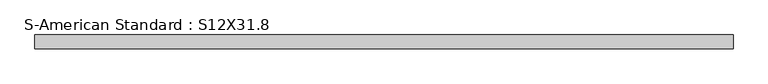
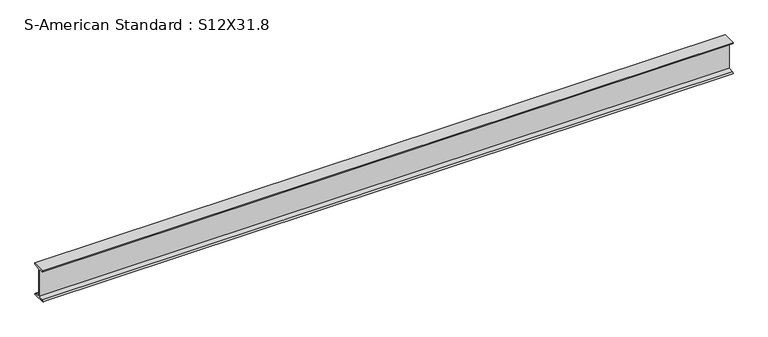
"""IFC4 building model written with IfcOpenShell, lengths in millimetres: beam geometry, S-American Standard : S12X31.8."""

from ifc_helpers import new_model, si_unit, point, frame, frame_2d, origin, place, context, project, spatial, polyline, circle_curve, trimmed, segment, composite_curve, outline, extrude, source, transform, mapped, element, save


def s_american_standard_s12x31_8_247a9eae(model_context):
    return source(origin(), model_context, "Body", "SweptSolid", [
        extrude(outline(composite_curve([segment(polyline([(-63.5, 152.4), (63.5, 152.4)]), True, "CONTINUOUS"), segment(trimmed(circle_curve(frame_2d((49.7, 152.4)), 13.8), [point((63.5, 152.4))], [point((49.7, 138.6))], False, "CARTESIAN"), True, "CONTINUOUS"), segment(polyline([(49.7, 138.6), (4.45, 131.4331041), (4.45, -131.4331041), (49.7, -138.6)]), True, "CONTINUOUS"), segment(trimmed(circle_curve(frame_2d((49.7, -152.4)), 13.8), [point((49.7, -138.6))], [point((63.5, -152.4))], False, "CARTESIAN"), True, "CONTINUOUS"), segment(polyline([(63.5, -152.4), (-63.5, -152.4)]), True, "CONTINUOUS"), segment(trimmed(circle_curve(frame_2d((-49.7, -152.4)), 13.8), [point((-63.5, -152.4))], [point((-49.7, -138.6))], False, "CARTESIAN"), True, "CONTINUOUS"), segment(polyline([(-49.7, -138.6), (-4.45, -131.4331041), (-4.45, 131.4331041), (-49.7, 138.6)]), True, "CONTINUOUS"), segment(trimmed(circle_curve(frame_2d((-49.7, 152.4)), 13.8), [point((-49.7, 138.6))], [point((-63.5, 152.4))], False, "CARTESIAN"), True, "CONTINUOUS")], self_intersect=False)), frame((-2722.1066914, 0.0, 0.0), z_axis=(1.0, 0.0, 0.0), x_axis=(0.0, 1.0, 0.0)), (0.0, 0.0, 1.0), 6395.5244291),
    ])


if __name__ == "__main__":
    model = new_model("IFC4")
    model_context = context("Model", 3, world=origin())
    ifc_project = project(units=[si_unit("LENGTHUNIT", "METRE", prefix="MILLI")], contexts=[model_context])
    site = spatial("IfcSite", under=ifc_project)
    building = spatial("IfcBuilding", under=site)
    placement = place(None, origin())
    s_american_standard_s12x31_8_shape = s_american_standard_s12x31_8_247a9eae(model_context)
    element("IfcBeam", 1, ObjectType="S-American Standard : S12X31.8", at=placement, inside=building, context=model_context, shape_type="MappedRepresentation", body=[
        mapped(s_american_standard_s12x31_8_shape, transform((0.0, 0.0, 0.0), x_axis=(1.0, 0.0, 0.0), y_axis=(0.0, 1.0, 0.0), z_axis=(0.0, 0.0, 1.0))),
    ])
    save(model, "model.ifc")
